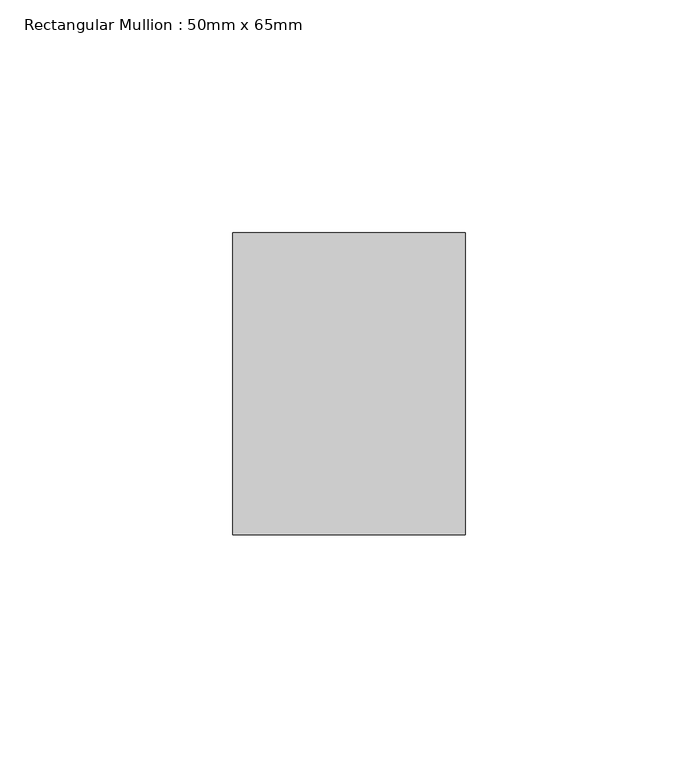
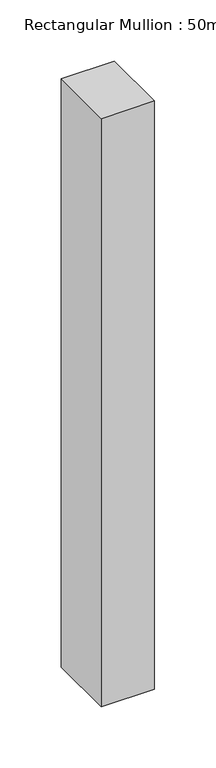
"""IFC4 building model written with IfcOpenShell, lengths in millimetres: member geometry, Rectangular Mullion : 50mm x 65mm."""

from ifc_helpers import new_model, si_unit, frame, origin, place, context, project, spatial, polyline, outline, extrude, source, transform, mapped, element, save


def rectangular_mullion_50mm_x_65mm_05ebb16d(model_context):
    return source(origin(), model_context, "Body", "SweptSolid", [
        extrude(outline(polyline([(25.0, 32.5), (25.0, -32.5), (-25.0, -32.5), (-25.0, 32.5), (25.0, 32.5)])), frame((0.0, 0.0, -585.2034937), z_axis=(0.0, 0.0, 1.0), x_axis=(1.0, 0.0, 0.0)), (0.0, 0.0, 1.0), 585.2034937),
    ])


if __name__ == "__main__":
    model = new_model("IFC4")
    model_context = context("Model", 3, world=origin())
    ifc_project = project(units=[si_unit("LENGTHUNIT", "METRE", prefix="MILLI")], contexts=[model_context])
    site = spatial("IfcSite", under=ifc_project)
    building = spatial("IfcBuilding", under=site)
    placement = place(None, origin())
    rectangular_mullion_50mm_x_65mm_shape = rectangular_mullion_50mm_x_65mm_05ebb16d(model_context)
    element("IfcMember", 1, ObjectType="Rectangular Mullion : 50mm x 65mm", at=placement, inside=building, context=model_context, shape_type="MappedRepresentation", body=[
        mapped(rectangular_mullion_50mm_x_65mm_shape, transform((0.0, 0.0, 0.0), x_axis=(1.0, 0.0, 0.0), y_axis=(0.0, 1.0, 0.0), z_axis=(0.0, 0.0, 1.0))),
    ])
    save(model, "model.ifc")
